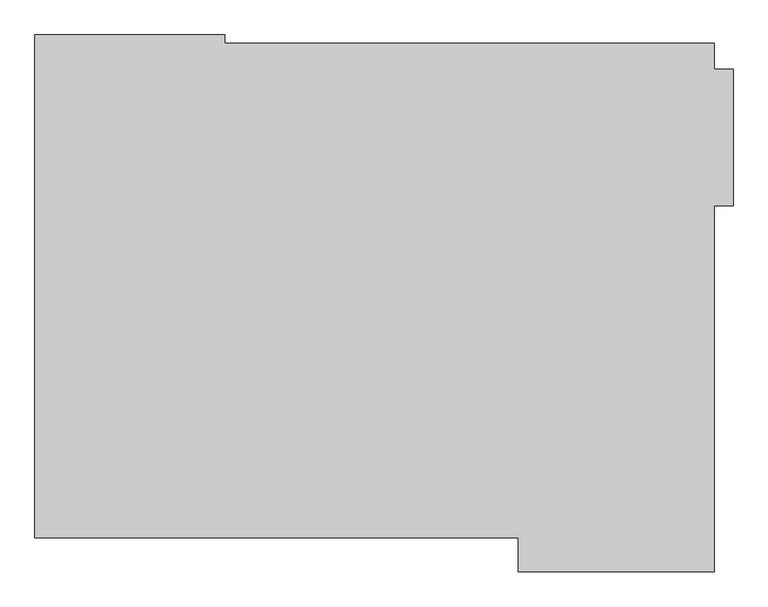
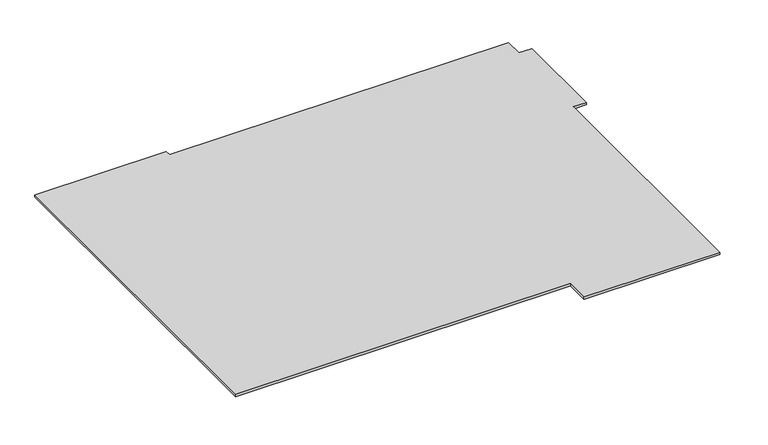
"""IFC4 building model written with IfcOpenShell, lengths in millimetres: proxy geometry."""

from ifc_helpers import new_model, si_unit, frame, origin, place, context, project, spatial, polyline, outline, extrude, source, transform, mapped, element, save


def generic_models_b251b473(model_context):
    return source(origin(), model_context, "Body", "SweptSolid", [
        extrude(outline(polyline([(-10209.8739293, 7180.4697439), (-10209.8739293, 7130.4697439), (-7335.8729589, 7130.4697439), (-7335.8729589, 6979.2010971), (-7225.8729589, 6979.2010971), (-7225.8729589, 6179.2010971), (-7335.8729589, 6179.2010971), (-7335.8729589, 4029.2068086), (-8485.8729589, 4029.2068086), (-8485.8729589, 4229.2068086), (-11322.8729589, 4229.2068086), (-11322.8729589, 7180.4697439), (-10209.8739293, 7180.4697439)])), frame((0.0, 0.0, -340.0), z_axis=(0.0, 0.0, 1.0), x_axis=(1.0, 0.0, 0.0)), (0.0, 0.0, 1.0), 20.0),
    ])


if __name__ == "__main__":
    model = new_model("IFC4")
    model_context = context("Model", 3, world=origin())
    ifc_project = project(units=[si_unit("LENGTHUNIT", "METRE", prefix="MILLI")], contexts=[model_context])
    site = spatial("IfcSite", under=ifc_project)
    building = spatial("IfcBuilding", under=site)
    placement = place(None, origin())
    generic_models_shape = generic_models_b251b473(model_context)
    element("IfcBuildingElementProxy", 1, Name="Generic Models", at=placement, inside=building, context=model_context, shape_type="MappedRepresentation", body=[
        mapped(generic_models_shape, transform((0.0, 0.0, 0.0), x_axis=(1.0, 0.0, 0.0), y_axis=(0.0, 1.0, 0.0), z_axis=(0.0, 0.0, 1.0))),
    ])
    save(model, "model.ifc")
